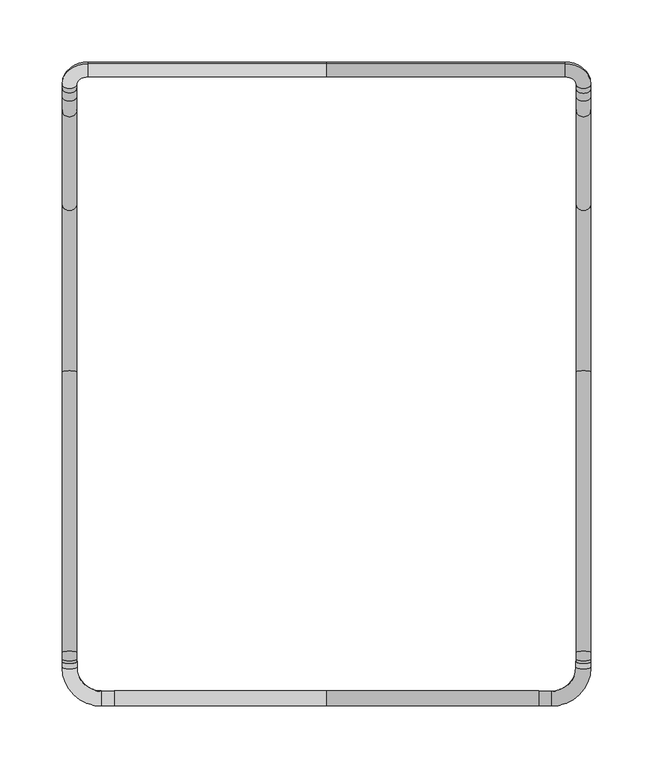
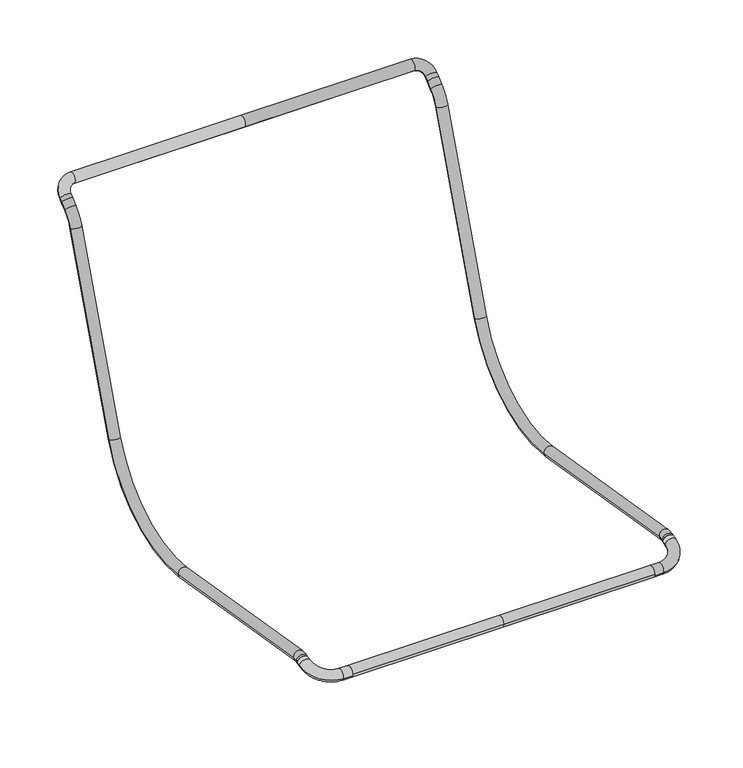
"""IFC4 building model written with IfcOpenShell, lengths in millimetres: furniture geometry."""

from ifc_helpers import new_model, si_unit, point, frame, origin, place, context, project, spatial, circle_curve, ellipse_curve, trimmed, source, transform, mapped, element, save
from ifc_brep_helpers import plane_surface, cylinder_surface, revolved_surface, advanced_brep


def furniture_f1a448c8(model_context):
    return source(origin(), model_context, "Body", "AdvancedBrep", [
        advanced_brep(
        [(-213.2134791, 240.781558, 729.3874577), (-213.2134791, 234.5551993, 724.1629224), (-201.2134791, 234.5551993, 724.1629224), (-201.2134791, 240.781558, 729.3874577), (-213.2134791, 223.55476, 708.452667), (-201.2134791, 223.55476, 708.452667), (-213.2134791, 148.1249235, 501.2108943), (-201.2134791, 148.1249235, 501.2108943), (-213.2134791, 12.4655959, 422.023671), (-201.2134791, 12.4655959, 422.023671), (-213.2134791, -213.6326355, 459.6728383), (-201.2134791, -213.6326355, 459.6728383), (-213.2134791, -219.0054278, 459.4126014), (-201.2134791, -219.0054278, 459.4126014), (-213.2134791, -221.1282149, 458.8438023), (-201.2134791, -221.1282149, 458.8438023), (0.0, 260.6987135, 746.0999355), (-192.2134791, 260.6987135, 746.0999355), (-192.2134791, 251.5061802, 738.3864842), (0.0, 251.5061802, 738.3864842), (-213.2134791, 244.6117802, 732.6013957), (-201.2134791, 244.6117802, 732.6013957), (213.2134791, -221.1282149, 458.8438023), (201.2134791, -221.1282149, 458.8438023), (192.2134791, 251.5061802, 738.3864842), (192.2134791, 260.6987135, 746.0999355), (201.2134791, 244.6117802, 732.6013957), (213.2134791, 244.6117802, 732.6013957), (201.2134791, 240.781558, 729.3874577), (213.2134791, 240.781558, 729.3874577), (201.2134791, 234.5551993, 724.1629224), (213.2134791, 234.5551993, 724.1629224), (201.2134791, 223.55476, 708.452667), (213.2134791, 223.55476, 708.452667), (201.2134791, 148.1249235, 501.2108943), (213.2134791, 148.1249235, 501.2108943), (201.2134791, 12.4655959, 422.023671), (213.2134791, 12.4655959, 422.023671), (201.2134791, -213.6326355, 459.6728383), (213.2134791, -213.6326355, 459.6728383), (201.2134791, -219.0054278, 459.4126014), (213.2134791, -219.0054278, 459.4126014)],
        [
            (0, 1),
            (1, 2, circle_curve(frame((-207.2134791, 234.5551993, 724.1629224), z_axis=(0.0, 0.7660444431189799, 0.6427876096865373), x_axis=(1.0, 0.0, 0.0)), 6.0)),
            (2, 3),
            (3, 0, circle_curve(frame((-207.2134791, 240.781558, 729.3874577), z_axis=(0.0, -0.7660444431189799, -0.6427876096865373), x_axis=(1.0, 0.0, 0.0)), 6.0)),
            (0, 3, circle_curve(frame((-207.2134791, 240.781558, 729.3874577), z_axis=(0.0, -0.7660444431189799, -0.6427876096865373), x_axis=(1.0, 0.0, 0.0)), 6.0)),
            (2, 1, circle_curve(frame((-207.2134791, 234.5551993, 724.1629224), z_axis=(0.0, 0.7660444431189799, 0.6427876096865373), x_axis=(1.0, 0.0, 0.0)), 6.0)),
            (1, 4, circle_curve(frame((-213.2134791, 258.3707155, 695.7806955), z_axis=(1.0, 0.0, 0.0), x_axis=(0.0, -0.6427876096865325, 0.7660444431189838)), 37.0503659)),
            (4, 5, circle_curve(frame((-207.2134791, 223.55476, 708.452667), z_axis=(0.0, 0.34202014332567854, 0.9396926207859049), x_axis=(1.0, 0.0, 0.0)), 6.0)),
            (5, 2, circle_curve(frame((-201.2134791, 258.3707155, 695.7806955), z_axis=(-1.0, 0.0, 0.0), x_axis=(0.0, -0.6427876096865325, 0.7660444431189838)), 37.0503659)),
            (5, 4, circle_curve(frame((-207.2134791, 223.55476, 708.452667), z_axis=(0.0, 0.34202014332567854, 0.9396926207859049), x_axis=(1.0, 0.0, 0.0)), 6.0)),
            (4, 6),
            (6, 7, circle_curve(frame((-207.2134791, 148.1249235, 501.2108943), z_axis=(0.0, 0.34202014332567016, 0.939692620785908), x_axis=(1.0, 0.0, 0.0)), 6.0)),
            (7, 5),
            (7, 6, circle_curve(frame((-207.2134791, 148.1249235, 501.2108943), z_axis=(0.0, 0.34202014332567016, 0.939692620785908), x_axis=(1.0, 0.0, 0.0)), 6.0)),
            (6, 8, circle_curve(frame((-213.2134791, 32.6502009, 543.2402562), z_axis=(-1.0, 0.0, 0.0), x_axis=(0.0, 0.9396926207859078, -0.3420201433256706)), 122.8856331)),
            (8, 9, circle_curve(frame((-207.2134791, 12.4655959, 422.023671), z_axis=(0.0, 0.9864178765093446, -0.1642552066230941), x_axis=(1.0, 0.0, 0.0)), 6.0)),
            (9, 7, circle_curve(frame((-201.2134791, 32.6502009, 543.2402562), z_axis=(1.0, 0.0, 0.0), x_axis=(0.0, 0.9396926207859078, -0.3420201433256706)), 122.8856331)),
            (9, 8, circle_curve(frame((-207.2134791, 12.4655959, 422.023671), z_axis=(0.0, 0.9864178765093446, -0.1642552066230941), x_axis=(1.0, 0.0, 0.0)), 6.0)),
            (8, 10),
            (10, 11, circle_curve(frame((-207.2134791, -213.6326355, 459.6728383), z_axis=(0.0, 0.9864178765093448, -0.1642552066230945), x_axis=(1.0, 0.0, 0.0)), 6.0)),
            (11, 9),
            (11, 10, circle_curve(frame((-207.2134791, -213.6326355, 459.6728383), z_axis=(0.0, 0.9864178765093448, -0.1642552066230945), x_axis=(1.0, 0.0, 0.0)), 6.0)),
            (10, 12, circle_curve(frame((-213.2134791, -215.7185793, 447.1459159), z_axis=(1.0, 0.0, 0.0), x_axis=(0.0, 0.16425520662310025, 0.9864178765093436)), 12.6994073)),
            (12, 13, circle_curve(frame((-207.2134791, -219.0054278, 459.4126014), z_axis=(0.0, 0.9659258262890665, 0.25881904510252707), x_axis=(1.0, 0.0, 0.0)), 6.0)),
            (13, 11, circle_curve(frame((-201.2134791, -215.7185793, 447.1459159), z_axis=(-1.0, 0.0, 0.0), x_axis=(0.0, 0.16425520662310025, 0.9864178765093436)), 12.6994073)),
            (13, 12, circle_curve(frame((-207.2134791, -219.0054278, 459.4126014), z_axis=(0.0, 0.9659258262890665, 0.25881904510252707), x_axis=(1.0, 0.0, 0.0)), 6.0)),
            (12, 14),
            (14, 15, circle_curve(frame((-207.2134791, -221.1282149, 458.8438023), z_axis=(0.0, 0.9659258262890652, 0.2588190451025321), x_axis=(1.0, 0.0, 0.0)), 6.0)),
            (15, 13),
            (15, 14, circle_curve(frame((-207.2134791, -221.1282149, 458.8438023), z_axis=(0.0, 0.9659258262890652, 0.2588190451025321), x_axis=(1.0, 0.0, 0.0)), 6.0)),
            (16, 17),
            (17, 18, circle_curve(frame((-192.2134791, 256.1024468, 742.2432099), z_axis=(1.0, 0.0, 0.0), x_axis=(0.0, -0.7660444431189894, -0.6427876096865258)), 6.0)),
            (18, 19),
            (19, 16, circle_curve(frame((0.0, 256.1024468, 742.2432099), z_axis=(-1.0, 0.0, 0.0), x_axis=(0.0, -0.7660444431189894, -0.6427876096865258)), 6.0)),
            (16, 19, circle_curve(frame((0.0, 256.1024468, 742.2432099), z_axis=(-1.0, 0.0, 0.0), x_axis=(0.0, -0.7660444431189894, -0.6427876096865258)), 6.0)),
            (18, 17, circle_curve(frame((-192.2134791, 256.1024468, 742.2432099), z_axis=(1.0, 0.0, 0.0), x_axis=(0.0, -0.7660444431189894, -0.6427876096865258)), 6.0)),
            (17, 20, circle_curve(frame((-192.2134791, 244.6117802, 732.6013957), z_axis=(0.0, -0.6427876096865258, 0.7660444431189894), x_axis=(0.0, 0.7660444431189894, 0.6427876096865258)), 21.0)),
            (20, 21, circle_curve(frame((-207.2134791, 244.6117802, 732.6013957), z_axis=(0.0, 0.7660444431189894, 0.6427876096865258), x_axis=(1.0000000000000002, 0.0, 0.0)), 6.0)),
            (21, 18, circle_curve(frame((-192.2134791, 244.6117802, 732.6013957), z_axis=(0.0, 0.6427876096865258, -0.7660444431189894), x_axis=(0.0, 0.7660444431189894, 0.6427876096865258)), 9.0)),
            (21, 20, circle_curve(frame((-207.2134791, 244.6117802, 732.6013957), z_axis=(0.0, 0.7660444431189894, 0.6427876096865258), x_axis=(1.0000000000000002, 0.0, 0.0)), 6.0)),
            (20, 0),
            (3, 21),
            (22, 23, circle_curve(frame((207.2134791, -221.1282149, 458.8438023), z_axis=(0.0, -0.9659258262890653, -0.258819045102532), x_axis=(-1.0, 0.0, 0.0)), 6.0)),
            (23, 22, circle_curve(frame((207.2134791, -221.1282149, 458.8438023), z_axis=(0.0, -0.9659258262890653, -0.258819045102532), x_axis=(-1.0, 0.0, 0.0)), 6.0)),
            (19, 24),
            (24, 25, circle_curve(frame((192.2134791, 256.1024468, 742.2432099), z_axis=(-1.0, 0.0, 0.0), x_axis=(0.0, -0.7660444431189894, -0.6427876096865258)), 6.0)),
            (25, 16),
            (25, 24, circle_curve(frame((192.2134791, 256.1024468, 742.2432099), z_axis=(-1.0, 0.0, 0.0), x_axis=(0.0, -0.7660444431189894, -0.6427876096865258)), 6.0)),
            (24, 26, circle_curve(frame((192.2134791, 244.6117802, 732.6013957), z_axis=(0.0, 0.6427876096865258, -0.7660444431189894), x_axis=(0.0, 0.7660444431189894, 0.6427876096865258)), 9.0)),
            (26, 27, circle_curve(frame((207.2134791, 244.6117802, 732.6013957), z_axis=(0.0, 0.7660444431189894, 0.6427876096865258), x_axis=(-1.0000000000000002, 0.0, 0.0)), 6.0)),
            (27, 25, circle_curve(frame((192.2134791, 244.6117802, 732.6013957), z_axis=(0.0, -0.6427876096865258, 0.7660444431189894), x_axis=(0.0, 0.7660444431189894, 0.6427876096865258)), 21.0)),
            (27, 26, circle_curve(frame((207.2134791, 244.6117802, 732.6013957), z_axis=(0.0, 0.7660444431189894, 0.6427876096865258), x_axis=(-1.0000000000000002, 0.0, 0.0)), 6.0)),
            (26, 28),
            (28, 29, circle_curve(frame((207.2134791, 240.781558, 729.3874577), z_axis=(0.0, 0.7660444431189894, 0.6427876096865258), x_axis=(-1.0, 0.0, 0.0)), 6.0)),
            (29, 27),
            (29, 28, circle_curve(frame((207.2134791, 240.781558, 729.3874577), z_axis=(0.0, 0.7660444431189894, 0.6427876096865258), x_axis=(-1.0, 0.0, 0.0)), 6.0)),
            (28, 30),
            (30, 31, circle_curve(frame((207.2134791, 234.5551993, 724.1629224), z_axis=(0.0, 0.7660444431189799, 0.6427876096865371), x_axis=(-1.0, 0.0, 0.0)), 6.0)),
            (31, 29),
            (31, 30, circle_curve(frame((207.2134791, 234.5551993, 724.1629224), z_axis=(0.0, 0.7660444431189799, 0.6427876096865371), x_axis=(-1.0, 0.0, 0.0)), 6.0)),
            (30, 32, circle_curve(frame((201.2134791, 258.3707155, 695.7806955), z_axis=(1.0, 0.0, 0.0), x_axis=(0.0, -0.6427876096865325, 0.7660444431189838)), 37.0503659)),
            (32, 33, circle_curve(frame((207.2134791, 223.55476, 708.452667), z_axis=(0.0, 0.34202014332567854, 0.9396926207859049), x_axis=(-1.0, 0.0, 0.0)), 6.0)),
            (33, 31, circle_curve(frame((213.2134791, 258.3707155, 695.7806955), z_axis=(-1.0, 0.0, 0.0), x_axis=(0.0, -0.6427876096865325, 0.7660444431189838)), 37.0503659)),
            (33, 32, circle_curve(frame((207.2134791, 223.55476, 708.452667), z_axis=(0.0, 0.34202014332567854, 0.9396926207859049), x_axis=(-1.0, 0.0, 0.0)), 6.0)),
            (32, 34),
            (34, 35, circle_curve(frame((207.2134791, 148.1249235, 501.2108943), z_axis=(0.0, 0.3420201433256702, 0.9396926207859079), x_axis=(-1.0, 0.0, 0.0)), 6.0)),
            (35, 33),
            (35, 34, circle_curve(frame((207.2134791, 148.1249235, 501.2108943), z_axis=(0.0, 0.3420201433256702, 0.9396926207859079), x_axis=(-1.0, 0.0, 0.0)), 6.0)),
            (34, 36, circle_curve(frame((201.2134791, 32.6502009, 543.2402562), z_axis=(-1.0, 0.0, 0.0), x_axis=(0.0, 0.9396926207859081, -0.34202014332566943)), 122.8856331)),
            (36, 37, circle_curve(frame((207.2134791, 12.4655959, 422.023671), z_axis=(0.0, 0.9864178765093444, -0.16425520662309456), x_axis=(-1.0, 0.0, 0.0)), 6.0)),
            (37, 35, circle_curve(frame((213.2134791, 32.6502009, 543.2402562), z_axis=(1.0, 0.0, 0.0), x_axis=(0.0, 0.9396926207859081, -0.34202014332566943)), 122.8856331)),
            (37, 36, circle_curve(frame((207.2134791, 12.4655959, 422.023671), z_axis=(0.0, 0.9864178765093444, -0.16425520662309456), x_axis=(-1.0, 0.0, 0.0)), 6.0)),
            (36, 38),
            (38, 39, circle_curve(frame((207.2134791, -213.6326355, 459.6728383), z_axis=(0.0, 0.9864178765093446, -0.16425520662309462), x_axis=(-1.0, 0.0, 0.0)), 6.0)),
            (39, 37),
            (39, 38, circle_curve(frame((207.2134791, -213.6326355, 459.6728383), z_axis=(0.0, 0.9864178765093446, -0.16425520662309462), x_axis=(-1.0, 0.0, 0.0)), 6.0)),
            (38, 40, circle_curve(frame((201.2134791, -215.7185793, 447.1459159), z_axis=(1.0, 0.0, 0.0), x_axis=(0.0, 0.1642552066230985, 0.9864178765093439)), 12.6994073)),
            (40, 41, circle_curve(frame((207.2134791, -219.0054278, 459.4126014), z_axis=(0.0, 0.9659258262890662, 0.2588190451025283), x_axis=(-1.0, 0.0, 0.0)), 6.0)),
            (41, 39, circle_curve(frame((213.2134791, -215.7185793, 447.1459159), z_axis=(-1.0, 0.0, 0.0), x_axis=(0.0, 0.1642552066230985, 0.9864178765093439)), 12.6994073)),
            (41, 40, circle_curve(frame((207.2134791, -219.0054278, 459.4126014), z_axis=(0.0, 0.9659258262890662, 0.2588190451025283), x_axis=(-1.0, 0.0, 0.0)), 6.0)),
            (40, 23),
            (22, 41),
        ],
        [
            cylinder_surface(frame((-207.2134791, 240.781558, 729.3874577), z_axis=(0.0, 0.7660444431189799, 0.6427876096865373), x_axis=(1.0, 0.0, 0.0)), 6.0),
            revolved_surface(trimmed(ellipse_curve(frame((-207.2134791, 234.5551993, 724.1629224), z_axis=(0.0, 0.7660444431189839, 0.6427876096865324), x_axis=(1.0, 0.0, 0.0)), 6.0, 6.0), [point((-213.2134791, 234.5551993, 724.1629224))], [point((-201.2134791, 234.5551993, 724.1629224))], True, "CARTESIAN"), (0.0, 258.3707155, 695.7806955), (1.0, 0.0, 0.0)),
            revolved_surface(trimmed(ellipse_curve(frame((-207.2134791, 234.5551993, 724.1629224), z_axis=(0.0, 0.7660444431189839, 0.6427876096865324), x_axis=(1.0, 0.0, 0.0)), 6.0, 6.0), [point((-201.2134791, 234.5551993, 724.1629224))], [point((-213.2134791, 234.5551993, 724.1629224))], True, "CARTESIAN"), (0.0, 258.3707155, 695.7806955), (1.0, 0.0, 0.0)),
            cylinder_surface(frame((-207.2134791, 223.55476, 708.452667), z_axis=(0.0, 0.34202014332567016, 0.939692620785908), x_axis=(1.0, 0.0, 0.0)), 6.0),
            revolved_surface(trimmed(ellipse_curve(frame((-207.2134791, 148.1249235, 501.2108943), z_axis=(0.0, 0.3420201433256709, 0.9396926207859077), x_axis=(1.0, 0.0, 0.0)), 6.0, 6.0), [point((-213.2134791, 148.1249235, 501.2108943))], [point((-201.2134791, 148.1249235, 501.2108943))], True, "CARTESIAN"), (0.0, 32.6502009, 543.2402562), (-1.0, 0.0, 0.0)),
            revolved_surface(trimmed(ellipse_curve(frame((-207.2134791, 148.1249235, 501.2108943), z_axis=(0.0, 0.3420201433256709, 0.9396926207859077), x_axis=(1.0, 0.0, 0.0)), 6.0, 6.0), [point((-201.2134791, 148.1249235, 501.2108943))], [point((-213.2134791, 148.1249235, 501.2108943))], True, "CARTESIAN"), (0.0, 32.6502009, 543.2402562), (-1.0, 0.0, 0.0)),
            cylinder_surface(frame((-207.2134791, 12.4655959, 422.023671), z_axis=(0.0, 0.9864178765093445, -0.16425520662309448), x_axis=(1.0, 0.0, 0.0)), 6.0),
            revolved_surface(trimmed(ellipse_curve(frame((-207.2134791, -213.6326355, 459.6728383), z_axis=(0.0, 0.9864178765093436, -0.16425520662310056), x_axis=(1.0, 0.0, 0.0)), 6.0, 6.0), [point((-213.2134791, -213.6326355, 459.6728383))], [point((-201.2134791, -213.6326355, 459.6728383))], True, "CARTESIAN"), (0.0, -215.7185793, 447.1459159), (1.0, 0.0, 0.0)),
            revolved_surface(trimmed(ellipse_curve(frame((-207.2134791, -213.6326355, 459.6728383), z_axis=(0.0, 0.9864178765093436, -0.16425520662310056), x_axis=(1.0, 0.0, 0.0)), 6.0, 6.0), [point((-201.2134791, -213.6326355, 459.6728383))], [point((-213.2134791, -213.6326355, 459.6728383))], True, "CARTESIAN"), (0.0, -215.7185793, 447.1459159), (1.0, 0.0, 0.0)),
            cylinder_surface(frame((-207.2134791, -219.0054278, 459.4126014), z_axis=(0.0, 0.9659258262890652, 0.2588190451025321), x_axis=(1.0, 0.0, 0.0)), 6.0),
            plane_surface(frame((-194.1292893, -218.0064913, 447.193371), z_axis=(0.0, -0.9659258262890668, -0.2588190451025264), x_axis=(-1.0, 0.0, 0.0))),
            cylinder_surface(frame((0.0, 256.1024468, 742.2432099), z_axis=(1.0000000000000002, 0.0, 0.0), x_axis=(0.0, -0.7660444431189894, -0.6427876096865258)), 6.0),
            revolved_surface(trimmed(ellipse_curve(frame((-192.2134791, 256.1024468, 742.2432099), z_axis=(1.0000000000000002, 0.0, 0.0), x_axis=(0.0, -0.7660444431189894, -0.6427876096865258)), 6.0, 6.0), [point((-192.2134791, 260.6987135, 746.0999355))], [point((-192.2134791, 251.5061802, 738.3864842))], True, "CARTESIAN"), (-192.2134791, 724.1170436, 161.1492754), (0.0, -0.6427876096865258, 0.7660444431189894)),
            revolved_surface(trimmed(ellipse_curve(frame((-192.2134791, 256.1024468, 742.2432099), z_axis=(1.0000000000000002, 0.0, 0.0), x_axis=(0.0, -0.7660444431189894, -0.6427876096865258)), 6.0, 6.0), [point((-192.2134791, 251.5061802, 738.3864842))], [point((-192.2134791, 260.6987135, 746.0999355))], True, "CARTESIAN"), (-192.2134791, 724.1170436, 161.1492754), (0.0, -0.6427876096865258, 0.7660444431189894)),
            cylinder_surface(frame((-207.2134791, 244.6117802, 732.6013957), z_axis=(0.0, 0.7660444431189894, 0.6427876096865258), x_axis=(1.0, 0.0, 0.0)), 6.0),
            plane_surface(frame((194.1292893, -226.6812485, 479.5680059), z_axis=(0.0, -0.9659258262890668, -0.2588190451025264), x_axis=(1.0, 0.0, 0.0))),
            cylinder_surface(frame((0.0, 256.1024468, 742.2432099), z_axis=(-1.0000000000000002, 0.0, 0.0), x_axis=(0.0, -0.7660444431189894, -0.6427876096865258)), 6.0),
            revolved_surface(trimmed(ellipse_curve(frame((192.2134791, 256.1024468, 742.2432099), z_axis=(-1.0000000000000002, 0.0, 0.0), x_axis=(0.0, -0.7660444431189894, -0.6427876096865258)), 6.0, 6.0), [point((192.2134791, 251.5061802, 738.3864842))], [point((192.2134791, 260.6987135, 746.0999355))], True, "CARTESIAN"), (192.2134791, 724.1170436, 161.1492754), (0.0, 0.6427876096865258, -0.7660444431189894)),
            revolved_surface(trimmed(ellipse_curve(frame((192.2134791, 256.1024468, 742.2432099), z_axis=(-1.0000000000000002, 0.0, 0.0), x_axis=(0.0, -0.7660444431189894, -0.6427876096865258)), 6.0, 6.0), [point((192.2134791, 260.6987135, 746.0999355))], [point((192.2134791, 251.5061802, 738.3864842))], True, "CARTESIAN"), (192.2134791, 724.1170436, 161.1492754), (0.0, 0.6427876096865258, -0.7660444431189894)),
            cylinder_surface(frame((207.2134791, 244.6117802, 732.6013957), z_axis=(0.0, 0.7660444431189894, 0.6427876096865258), x_axis=(-1.0, 0.0, 0.0)), 6.0),
            cylinder_surface(frame((207.2134791, 240.781558, 729.3874577), z_axis=(0.0, 0.7660444431189799, 0.6427876096865371), x_axis=(-1.0, 0.0, 0.0)), 6.0),
            revolved_surface(trimmed(ellipse_curve(frame((207.2134791, 234.5551993, 724.1629224), z_axis=(0.0, 0.7660444431189839, 0.6427876096865324), x_axis=(-1.0, 0.0, 0.0)), 6.0, 6.0), [point((201.2134791, 234.5551993, 724.1629224))], [point((213.2134791, 234.5551993, 724.1629224))], True, "CARTESIAN"), (0.0, 258.3707155, 695.7806955), (1.0, 0.0, 0.0)),
            revolved_surface(trimmed(ellipse_curve(frame((207.2134791, 234.5551993, 724.1629224), z_axis=(0.0, 0.7660444431189839, 0.6427876096865324), x_axis=(-1.0, 0.0, 0.0)), 6.0, 6.0), [point((213.2134791, 234.5551993, 724.1629224))], [point((201.2134791, 234.5551993, 724.1629224))], True, "CARTESIAN"), (0.0, 258.3707155, 695.7806955), (1.0, 0.0, 0.0)),
            cylinder_surface(frame((207.2134791, 223.55476, 708.452667), z_axis=(0.0, 0.3420201433256702, 0.9396926207859079), x_axis=(-1.0, 0.0, 0.0)), 6.0),
            revolved_surface(trimmed(ellipse_curve(frame((207.2134791, 148.1249235, 501.2108943), z_axis=(0.0, 0.3420201433256698, 0.939692620785908), x_axis=(-1.0, 0.0, 0.0)), 6.0, 6.0), [point((201.2134791, 148.1249235, 501.2108943))], [point((213.2134791, 148.1249235, 501.2108943))], True, "CARTESIAN"), (0.0, 32.6502009, 543.2402562), (-1.0, 0.0, 0.0)),
            revolved_surface(trimmed(ellipse_curve(frame((207.2134791, 148.1249235, 501.2108943), z_axis=(0.0, 0.3420201433256698, 0.939692620785908), x_axis=(-1.0, 0.0, 0.0)), 6.0, 6.0), [point((213.2134791, 148.1249235, 501.2108943))], [point((201.2134791, 148.1249235, 501.2108943))], True, "CARTESIAN"), (0.0, 32.6502009, 543.2402562), (-1.0, 0.0, 0.0)),
            cylinder_surface(frame((207.2134791, 12.4655959, 422.023671), z_axis=(0.0, 0.9864178765093446, -0.16425520662309462), x_axis=(-1.0, 0.0, 0.0)), 6.0),
            revolved_surface(trimmed(ellipse_curve(frame((207.2134791, -213.6326355, 459.6728383), z_axis=(0.0, 0.9864178765093438, -0.1642552066230989), x_axis=(-1.0, 0.0, 0.0)), 6.0, 6.0), [point((201.2134791, -213.6326355, 459.6728383))], [point((213.2134791, -213.6326355, 459.6728383))], True, "CARTESIAN"), (0.0, -215.7185793, 447.1459159), (1.0, 0.0, 0.0)),
            revolved_surface(trimmed(ellipse_curve(frame((207.2134791, -213.6326355, 459.6728383), z_axis=(0.0, 0.9864178765093438, -0.1642552066230989), x_axis=(-1.0, 0.0, 0.0)), 6.0, 6.0), [point((213.2134791, -213.6326355, 459.6728383))], [point((201.2134791, -213.6326355, 459.6728383))], True, "CARTESIAN"), (0.0, -215.7185793, 447.1459159), (1.0, 0.0, 0.0)),
            cylinder_surface(frame((207.2134791, -219.0054278, 459.4126014), z_axis=(0.0, 0.9659258262890653, 0.258819045102532), x_axis=(-1.0, 0.0, 0.0)), 6.0),
        ],
        [
            (0, [[1, 2, 3, 4]]),
            (0, [[-1, 5, -3, 6]]),
            (1, [[-2, 7, 8, 9]]),
            (2, [[-6, -9, 10, -7]]),
            (3, [[-8, 11, 12, 13]]),
            (3, [[-10, -13, 14, -11]]),
            (4, [[-12, 15, 16, 17]]),
            (5, [[-14, -17, 18, -15]]),
            (6, [[-16, 19, 20, 21]]),
            (6, [[-18, -21, 22, -19]]),
            (7, [[-20, 23, 24, 25]]),
            (8, [[-22, -25, 26, -23]]),
            (9, [[-24, 27, 28, 29]]),
            (9, [[-26, -29, 30, -27]]),
            (10, [[-28, -30]]),
            (11, [[31, 32, 33, 34]]),
            (11, [[-31, 35, -33, 36]]),
            (12, [[-32, 37, 38, 39]]),
            (13, [[-36, -39, 40, -37]]),
            (14, [[-38, 41, -4, 42]]),
            (14, [[-40, -42, -5, -41]]),
            (15, [[43, 44]]),
            (16, [[45, 46, 47, -34]]),
            (16, [[-45, -35, -47, 48]]),
            (17, [[-46, 49, 50, 51]]),
            (18, [[-48, -51, 52, -49]]),
            (19, [[-50, 53, 54, 55]]),
            (19, [[-52, -55, 56, -53]]),
            (20, [[57, 58, 59, -54]]),
            (20, [[-57, -56, -59, 60]]),
            (21, [[-58, 61, 62, 63]]),
            (22, [[-60, -63, 64, -61]]),
            (23, [[-62, 65, 66, 67]]),
            (23, [[-64, -67, 68, -65]]),
            (24, [[-66, 69, 70, 71]]),
            (25, [[-68, -71, 72, -69]]),
            (26, [[-70, 73, 74, 75]]),
            (26, [[-72, -75, 76, -73]]),
            (27, [[-74, 77, 78, 79]]),
            (28, [[-76, -79, 80, -77]]),
            (29, [[-78, 81, -43, 82]]),
            (29, [[-80, -82, -44, -81]]),
        ],
    ),
        advanced_brep(
        [(-171.1338341, -245.1629034, 452.3624997), (-181.1338341, -245.1629034, 452.3624997), (-181.1338341, -256.8309444, 449.2360575), (-171.1338341, -256.8309444, 449.2360575), (-171.1338341, -257.0367464, 450.7992786), (-171.1338341, -244.9571014, 450.7992786), (-201.1338341, -225.8443868, 457.5388806), (-213.2134791, -225.8443868, 457.5388806), (-201.1338341, -221.1179081, 458.8053367), (-213.2134791, -221.1179081, 458.8053367), (0.0, -244.9571014, 450.7992786), (0.0, -257.0367464, 450.7992786), (201.1338341, -221.1179081, 458.8053367), (213.2134791, -221.1179081, 458.8053367), (171.1338341, -257.0367464, 450.7992786), (171.1338341, -245.1629034, 452.3624997), (171.1338341, -244.9571014, 450.7992786), (171.1338341, -256.8309444, 449.2360575), (181.1338341, -256.8309444, 449.2360575), (181.1338341, -245.1629034, 452.3624997), (213.2134791, -225.8443868, 457.5388806), (201.1338341, -225.8443868, 457.5388806)],
        [
            (0, 1),
            (1, 2, circle_curve(frame((-181.1338341, -250.9969239, 450.7992786), z_axis=(1.0, 0.0, 0.0), x_axis=(0.0, -0.9659258262890671, -0.2588190451025256)), 6.0398225)),
            (2, 3),
            (3, 4, circle_curve(frame((-171.1338341, -250.9969239, 450.7992786), z_axis=(-1.0, 0.0, 0.0), x_axis=(0.0, -0.9659258262890671, -0.2588190451025256)), 6.0398225)),
            (4, 0, circle_curve(frame((-171.1338341, -250.9969239, 450.7992786), z_axis=(-1.0, 0.0, 0.0), x_axis=(0.0, -0.9659258262890671, -0.2588190451025256)), 6.0398225)),
            (0, 5, circle_curve(frame((-171.1338341, -250.9969239, 450.7992786), z_axis=(-1.0, 0.0, 0.0), x_axis=(0.0, -0.9659258262890671, -0.2588190451025256)), 6.0398225)),
            (5, 3, circle_curve(frame((-171.1338341, -250.9969239, 450.7992786), z_axis=(-1.0, 0.0, 0.0), x_axis=(0.0, -0.9659258262890671, -0.2588190451025256)), 6.0398225)),
            (2, 1, circle_curve(frame((-181.1338341, -250.9969239, 450.7992786), z_axis=(1.0, 0.0, 0.0), x_axis=(0.0, -0.9659258262890671, -0.2588190451025256)), 6.0398225)),
            (1, 6, circle_curve(frame((-181.1338341, -225.8443868, 457.5388806), z_axis=(0.0, 0.2588190451025256, -0.9659258262890671), x_axis=(0.0, -0.9659258262890671, -0.2588190451025256)), 20.0)),
            (6, 7, circle_curve(frame((-207.1736566, -225.8443868, 457.5388806), z_axis=(0.0, -0.9659258262890671, -0.2588190451025256), x_axis=(-1.0000000000000002, 0.0, 0.0)), 6.0398225)),
            (7, 2, circle_curve(frame((-181.1338341, -225.8443868, 457.5388806), z_axis=(0.0, -0.2588190451025256, 0.9659258262890671), x_axis=(0.0, -0.9659258262890671, -0.2588190451025256)), 32.079645)),
            (7, 6, circle_curve(frame((-207.1736566, -225.8443868, 457.5388806), z_axis=(0.0, -0.9659258262890671, -0.2588190451025256), x_axis=(-1.0000000000000002, 0.0, 0.0)), 6.0398225)),
            (6, 8),
            (8, 9, circle_curve(frame((-207.1736566, -221.1179081, 458.8053367), z_axis=(0.0, -0.9659258262890671, -0.25881904510252557), x_axis=(-1.0, 0.0, 0.0)), 6.0398225)),
            (9, 7),
            (9, 8, circle_curve(frame((-207.1736566, -221.1179081, 458.8053367), z_axis=(0.0, -0.9659258262890671, -0.25881904510252557), x_axis=(-1.0, 0.0, 0.0)), 6.0398225)),
            (10, 5),
            (4, 11),
            (11, 10, circle_curve(frame((0.0, -250.9969239, 450.7992786), z_axis=(-1.0, 0.0, 0.0), x_axis=(0.0, -1.0, 0.0)), 6.0398225)),
            (10, 11, circle_curve(frame((0.0, -250.9969239, 450.7992786), z_axis=(-1.0, 0.0, 0.0), x_axis=(0.0, -1.0, 0.0)), 6.0398225)),
            (12, 13, circle_curve(frame((207.1736566, -221.1179081, 458.8053367), z_axis=(0.0, 0.9659258262890672, 0.2588190451025256), x_axis=(1.0, 0.0, 0.0)), 6.0398225)),
            (13, 12, circle_curve(frame((207.1736566, -221.1179081, 458.8053367), z_axis=(0.0, 0.9659258262890672, 0.2588190451025256), x_axis=(1.0, 0.0, 0.0)), 6.0398225)),
            (11, 14),
            (14, 15, circle_curve(frame((171.1338341, -250.9969239, 450.7992786), z_axis=(-1.0, 0.0, 0.0), x_axis=(0.0, -1.0, 0.0)), 6.0398225)),
            (15, 16, circle_curve(frame((171.1338341, -250.9969239, 450.7992786), z_axis=(-1.0, 0.0, 0.0), x_axis=(0.0, -1.0, 0.0)), 6.0398225)),
            (16, 10),
            (16, 17, circle_curve(frame((171.1338341, -250.9969239, 450.7992786), z_axis=(-1.0, 0.0, 0.0), x_axis=(0.0, -1.0, 0.0)), 6.0398225)),
            (17, 14, circle_curve(frame((171.1338341, -250.9969239, 450.7992786), z_axis=(-1.0, 0.0, 0.0), x_axis=(0.0, -1.0, 0.0)), 6.0398225)),
            (17, 18),
            (18, 19, circle_curve(frame((181.1338341, -250.9969239, 450.7992786), z_axis=(-1.0, 0.0, 0.0), x_axis=(0.0, -0.9659258262890671, -0.2588190451025256)), 6.0398225)),
            (19, 15),
            (19, 18, circle_curve(frame((181.1338341, -250.9969239, 450.7992786), z_axis=(-1.0, 0.0, 0.0), x_axis=(0.0, -0.9659258262890671, -0.2588190451025256)), 6.0398225)),
            (18, 20, circle_curve(frame((181.1338341, -225.8443868, 457.5388806), z_axis=(0.0, -0.2588190451025256, 0.9659258262890671), x_axis=(0.0, -0.9659258262890671, -0.2588190451025256)), 32.079645)),
            (20, 21, circle_curve(frame((207.1736566, -225.8443868, 457.5388806), z_axis=(0.0, -0.9659258262890671, -0.2588190451025256), x_axis=(1.0000000000000002, 0.0, 0.0)), 6.0398225)),
            (21, 19, circle_curve(frame((181.1338341, -225.8443868, 457.5388806), z_axis=(0.0, 0.2588190451025256, -0.9659258262890671), x_axis=(0.0, -0.9659258262890671, -0.2588190451025256)), 20.0)),
            (21, 20, circle_curve(frame((207.1736566, -225.8443868, 457.5388806), z_axis=(0.0, -0.9659258262890671, -0.2588190451025256), x_axis=(1.0000000000000002, 0.0, 0.0)), 6.0398225)),
            (20, 13),
            (12, 21),
        ],
        [
            cylinder_surface(frame((-171.1338341, -250.9969239, 450.7992786), z_axis=(1.0000000000000002, 0.0, 0.0), x_axis=(0.0, -0.9659258262890671, -0.2588190451025256)), 6.0398225),
            revolved_surface(trimmed(ellipse_curve(frame((-181.1338341, -250.9969239, 450.7992786), z_axis=(1.0000000000000002, 0.0, 0.0), x_axis=(0.0, -0.9659258262890671, -0.2588190451025256)), 6.0398225, 6.0398225), [point((-181.1338341, -245.1629034, 452.3624997))], [point((-181.1338341, -256.8309444, 449.2360575))], True, "CARTESIAN"), (-181.1338341, -109.168948, 22.1002149), (0.0, 0.2588190451025256, -0.9659258262890671)),
            revolved_surface(trimmed(ellipse_curve(frame((-181.1338341, -250.9969239, 450.7992786), z_axis=(1.0000000000000002, 0.0, 0.0), x_axis=(0.0, -0.9659258262890671, -0.2588190451025256)), 6.0398225, 6.0398225), [point((-181.1338341, -256.8309444, 449.2360575))], [point((-181.1338341, -245.1629034, 452.3624997))], True, "CARTESIAN"), (-181.1338341, -109.168948, 22.1002149), (0.0, 0.2588190451025256, -0.9659258262890671)),
            cylinder_surface(frame((-207.1736566, -225.8443868, 457.5388806), z_axis=(0.0, -0.9659258262890671, -0.25881904510252557), x_axis=(-1.0, 0.0, 0.0)), 6.0398225),
            plane_surface(frame((-175.4223898, -224.7310679, 472.2898327), z_axis=(0.0, 0.9659258262890668, 0.25881904510252646), x_axis=(-1.0, 0.0, 0.0))),
            cylinder_surface(frame((-171.1338341, -250.9969239, 450.7992786), z_axis=(1.0, 0.0, 0.0), x_axis=(0.0, -1.0, 0.0)), 6.0398225),
            plane_surface(frame((175.4223898, -217.9983044, 447.1628172), z_axis=(0.0, 0.9659258262890668, 0.25881904510252646), x_axis=(1.0, 0.0, 0.0))),
            cylinder_surface(frame((171.1338341, -250.9969239, 450.7992786), z_axis=(-1.0, 0.0, 0.0), x_axis=(0.0, -1.0, 0.0)), 6.0398225),
            cylinder_surface(frame((171.1338341, -250.9969239, 450.7992786), z_axis=(-1.0000000000000002, 0.0, 0.0), x_axis=(0.0, -0.9659258262890671, -0.2588190451025256)), 6.0398225),
            revolved_surface(trimmed(ellipse_curve(frame((181.1338341, -250.9969239, 450.7992786), z_axis=(-1.0000000000000002, 0.0, 0.0), x_axis=(0.0, -0.9659258262890671, -0.2588190451025256)), 6.0398225, 6.0398225), [point((181.1338341, -256.8309444, 449.2360575))], [point((181.1338341, -245.1629034, 452.3624997))], True, "CARTESIAN"), (181.1338341, -109.168948, 22.1002149), (0.0, -0.2588190451025256, 0.9659258262890671)),
            revolved_surface(trimmed(ellipse_curve(frame((181.1338341, -250.9969239, 450.7992786), z_axis=(-1.0000000000000002, 0.0, 0.0), x_axis=(0.0, -0.9659258262890671, -0.2588190451025256)), 6.0398225, 6.0398225), [point((181.1338341, -245.1629034, 452.3624997))], [point((181.1338341, -256.8309444, 449.2360575))], True, "CARTESIAN"), (181.1338341, -109.168948, 22.1002149), (0.0, -0.2588190451025256, 0.9659258262890671)),
            cylinder_surface(frame((207.1736566, -225.8443868, 457.5388806), z_axis=(0.0, -0.965925826289067, -0.25881904510252557), x_axis=(1.0, 0.0, 0.0)), 6.0398225),
        ],
        [
            (0, [[1, 2, 3, 4, 5]]),
            (0, [[-1, 6, 7, -3, 8]]),
            (1, [[-2, 9, 10, 11]]),
            (2, [[-8, -11, 12, -9]]),
            (3, [[-10, 13, 14, 15]]),
            (3, [[-12, -15, 16, -13]]),
            (4, [[-14, -16]]),
            (5, [[17, -6, -5, 18, 19]]),
            (5, [[-17, 20, -18, -4, -7]]),
            (6, [[21, 22]]),
            (7, [[23, 24, 25, 26, -19]]),
            (7, [[-23, -20, -26, 27, 28]]),
            (8, [[29, 30, 31, -24, -28]]),
            (8, [[-29, -27, -25, -31, 32]]),
            (9, [[-30, 33, 34, 35]]),
            (10, [[-32, -35, 36, -33]]),
            (11, [[-34, 37, -21, 38]]),
            (11, [[-36, -38, -22, -37]]),
        ],
    ),
    ])


if __name__ == "__main__":
    model = new_model("IFC4")
    model_context = context("Model", 3, world=origin())
    ifc_project = project(units=[si_unit("LENGTHUNIT", "METRE", prefix="MILLI")], contexts=[model_context])
    site = spatial("IfcSite", under=ifc_project)
    building = spatial("IfcBuilding", under=site)
    placement = place(None, origin())
    furniture_shape = furniture_f1a448c8(model_context)
    element("IfcFurniture", 1, at=placement, inside=building, context=model_context, shape_type="MappedRepresentation", body=[
        mapped(furniture_shape, transform((0.0, 0.0, 0.0), x_axis=(1.0, 0.0, 0.0), y_axis=(0.0, 1.0, 0.0), z_axis=(0.0, 0.0, 1.0))),
    ])
    save(model, "model.ifc")
